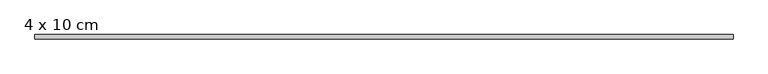
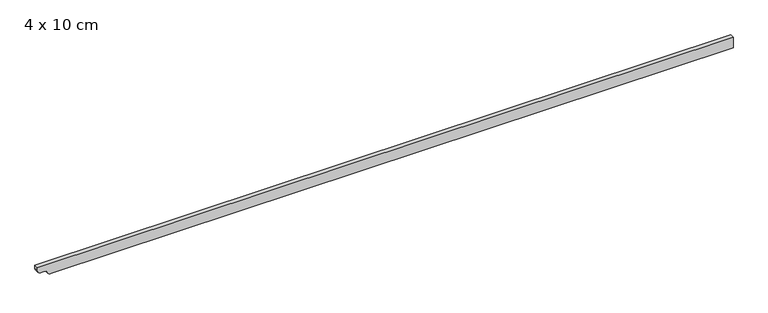
"""IFC4 building model written with IfcOpenShell, lengths in millimetres: beam geometry, 4 x 10 cm."""

from ifc_helpers import new_model, si_unit, point, frame, frame_2d, origin, place, context, project, spatial, polyline, circle_curve, trimmed, segment, composite_curve, outline, extrude, source, transform, mapped, element, save


def beam_4_x_10_cm_231b787b(model_context):
    return source(origin(), model_context, "Body", "SweptSolid", [
        extrude(outline(composite_curve([segment(polyline([(50.0, 3283.6923408), (50.0, -3323.4205869), (22.5, -3323.4205869)]), True, "CONTINUOUS"), segment(trimmed(circle_curve(frame_2d((22.5, -3290.9205869)), 32.5), [point((22.5, -3323.4205869))], [point((-10.0, -3290.9205869))], False, "CARTESIAN"), True, "CONTINUOUS"), segment(polyline([(-10.0, -3290.9205869), (-10.0, -3259.9103817)]), True, "CONTINUOUS"), segment(trimmed(circle_curve(frame_2d((-40.0, -3259.9103817)), 30.0), [point((-10.0, -3259.9103817))], [point((-34.0, -3230.5165048))], True, "CARTESIAN"), True, "CONTINUOUS"), segment(trimmed(circle_curve(frame_2d((-3.1535049, -3191.1655996)), 50.0), [point((-34.0, -3230.5165048))], [point((-53.1535049, -3191.1655996))], False, "CARTESIAN"), True, "CONTINUOUS"), segment(polyline([(-53.1535049, -3191.1655996), (-53.1535049, 3283.6923408), (50.0, 3283.6923408)]), True, "CONTINUOUS")], self_intersect=False)), frame((0.0, -20.0, 0.0), z_axis=(0.0, 1.0, 0.0), x_axis=(0.0, 0.0, 1.0)), (0.0, 0.0, 1.0), 40.0),
    ])


if __name__ == "__main__":
    model = new_model("IFC4")
    model_context = context("Model", 3, world=origin())
    ifc_project = project(units=[si_unit("LENGTHUNIT", "METRE", prefix="MILLI")], contexts=[model_context])
    site = spatial("IfcSite", under=ifc_project)
    building = spatial("IfcBuilding", under=site)
    placement = place(None, origin())
    beam_4_x_10_cm_shape = beam_4_x_10_cm_231b787b(model_context)
    element("IfcBeam", 1, ObjectType="4 x 10 cm", at=placement, inside=building, context=model_context, shape_type="MappedRepresentation", body=[
        mapped(beam_4_x_10_cm_shape, transform((0.0, 0.0, 0.0), x_axis=(1.0, 0.0, 0.0), y_axis=(0.0, 1.0, 0.0), z_axis=(0.0, 0.0, 1.0))),
    ])
    save(model, "model.ifc")
